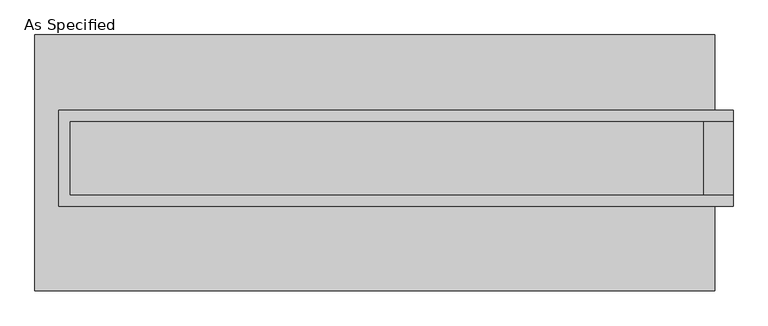
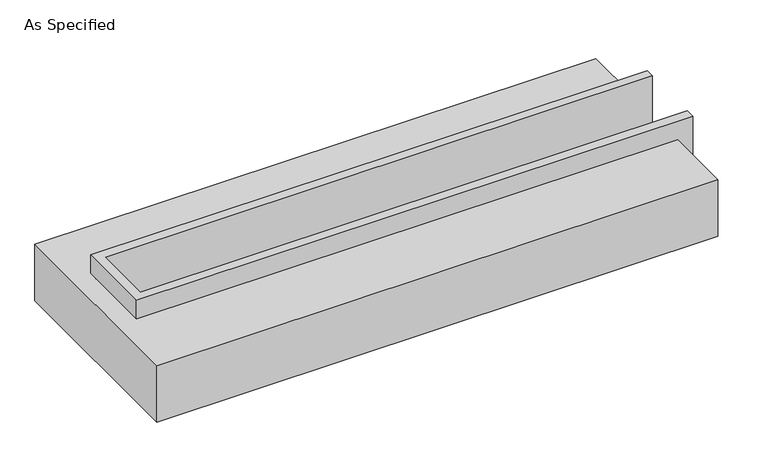
"""IFC4 building model written with IfcOpenShell, lengths in millimetres: proxy geometry, As Specified."""

from ifc_helpers import new_model, si_unit, origin, place, context, project, spatial, faceted_brep, source, transform, mapped, element, save


def as_specified_88b95187(model_context):
    return source(origin(), model_context, "Body", "Brep", [
        faceted_brep([(-2178.05, 361.95, 139.7), (-2178.05, 361.95, -393.7), (-2178.05, 285.75, -393.7), (-2178.05, 285.75, -25.4), (-2178.05, -222.25, -25.4), (-2178.05, -222.25, -393.7), (-2178.05, -298.45, -393.7), (-2178.05, -298.45, 139.7), (2470.15, 285.75, 139.7), (2470.15, 285.75, -317.5), (2470.15, -222.25, -317.5), (2470.15, -222.25, 139.7), (2470.15, -298.45, 139.7), (2470.15, -298.45, -393.7), (2470.15, 361.95, -393.7), (2470.15, 361.95, 139.7), (-2101.85, -222.25, 139.7), (-2101.85, 285.75, 139.7), (2266.95, -222.25, -393.7), (2266.95, 285.75, -393.7), (2266.95, -222.25, -317.5), (-2101.85, -222.25, -25.4), (2266.95, 285.75, -317.5), (-2101.85, 285.75, -25.4)], [[[0, 1, 2, 3, 4, 5, 6, 7]], [[8, 9, 10, 11, 12, 13, 14, 15]], [[0, 7, 12, 11, 16, 17, 8, 15]], [[1, 0, 15, 14]], [[14, 13, 6, 5, 18, 19, 2, 1]], [[7, 6, 13, 12]], [[11, 10, 20, 18, 5, 4, 21, 16]], [[10, 9, 22, 20]], [[9, 8, 17, 23, 3, 2, 19, 22]], [[18, 20, 22, 19]], [[23, 21, 4, 3]], [[17, 16, 21, 23]]]),
        faceted_brep([(-2343.15, 882.65, -523.9742188), (2343.15, 882.65, -523.9742188), (2343.15, -882.65, -523.9742188), (-2343.15, -882.65, -523.9742188), (2343.15, 882.65, -25.4), (-2343.15, 882.65, -25.4), (-2343.15, -882.65, -25.4), (2343.15, -882.65, -25.4), (2343.15, -298.45, -25.4), (-2178.05, -298.45, -25.4), (-2178.05, 361.95, -25.4), (2343.15, 361.95, -25.4), (2343.15, 361.95, -393.7), (2343.15, -298.45, -393.7), (-2178.05, -298.45, -393.7), (-2178.05, 361.95, -393.7)], [[[0, 1, 2, 3]], [[4, 5, 6, 7, 8, 9, 10, 11]], [[1, 0, 5, 4]], [[5, 0, 3, 6]], [[1, 4, 11, 12, 13, 8, 7, 2]], [[3, 2, 7, 6]], [[14, 15, 10, 9]], [[10, 15, 12, 11]], [[15, 14, 13, 12]], [[14, 9, 8, 13]]]),
    ])


if __name__ == "__main__":
    model = new_model("IFC4")
    model_context = context("Model", 3, world=origin())
    ifc_project = project(units=[si_unit("LENGTHUNIT", "METRE", prefix="MILLI")], contexts=[model_context])
    site = spatial("IfcSite", under=ifc_project)
    building = spatial("IfcBuilding", under=site)
    placement = place(None, origin())
    as_specified_shape = as_specified_88b95187(model_context)
    element("IfcBuildingElementProxy", 1, Name="As Specified", ObjectType="As Specified", at=placement, inside=building, context=model_context, shape_type="MappedRepresentation", body=[
        mapped(as_specified_shape, transform((0.0, 0.0, 0.0), x_axis=(1.0, 0.0, 0.0), y_axis=(0.0, 1.0, 0.0), z_axis=(0.0, 0.0, 1.0))),
    ])
    save(model, "model.ifc")
